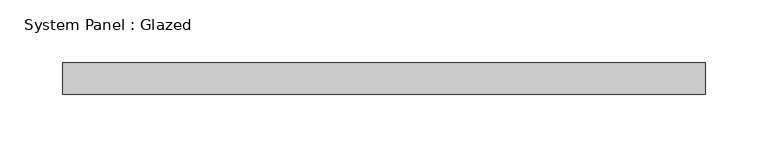
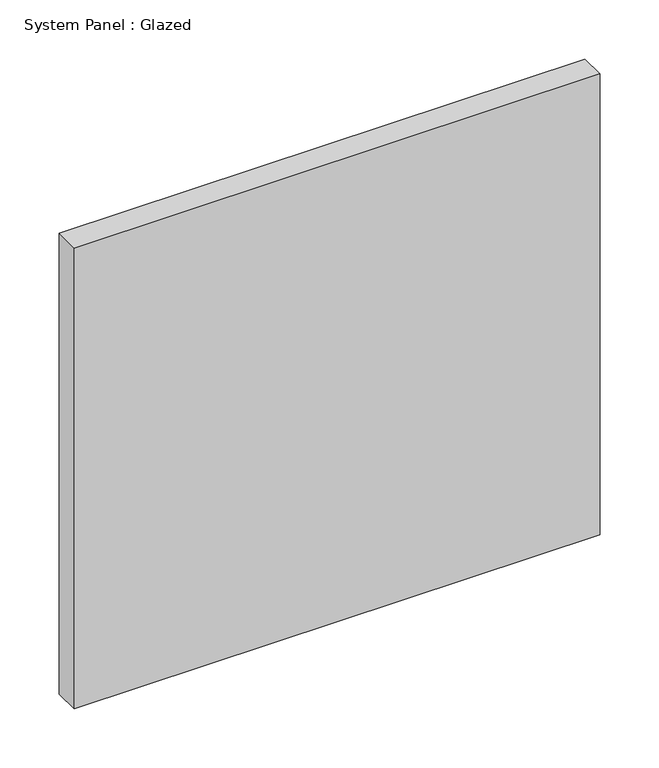
"""IFC4 building model written with IfcOpenShell, lengths in millimetres: plate geometry, System Panel : Glazed."""

from ifc_helpers import new_model, si_unit, origin, origin_with_axes, place, context, project, spatial, polyline, outline, extrude, source, transform, mapped, element, save


def system_panel_glazed_d46e88ab(model_context):
    return source(origin(), model_context, "Body", "SweptSolid", [
        extrude(outline(polyline([(257.175, -12.7), (-257.175, -12.7), (-257.175, 12.7), (257.175, 12.7), (257.175, -12.7)])), origin_with_axes(), (0.0, 0.0, 1.0), 476.25),
    ])


if __name__ == "__main__":
    model = new_model("IFC4")
    model_context = context("Model", 3, world=origin())
    ifc_project = project(units=[si_unit("LENGTHUNIT", "METRE", prefix="MILLI")], contexts=[model_context])
    site = spatial("IfcSite", under=ifc_project)
    building = spatial("IfcBuilding", under=site)
    placement = place(None, origin())
    system_panel_glazed_shape = system_panel_glazed_d46e88ab(model_context)
    element("IfcPlate", 1, ObjectType="System Panel : Glazed", at=placement, inside=building, context=model_context, shape_type="MappedRepresentation", body=[
        mapped(system_panel_glazed_shape, transform((0.0, 0.0, 0.0), x_axis=(1.0, 0.0, 0.0), y_axis=(0.0, 1.0, 0.0), z_axis=(0.0, 0.0, 1.0))),
    ])
    save(model, "model.ifc")
